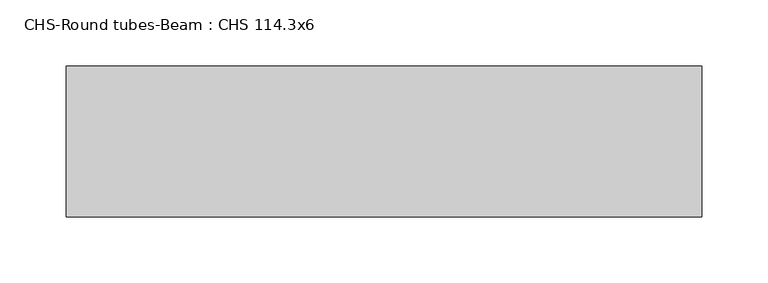
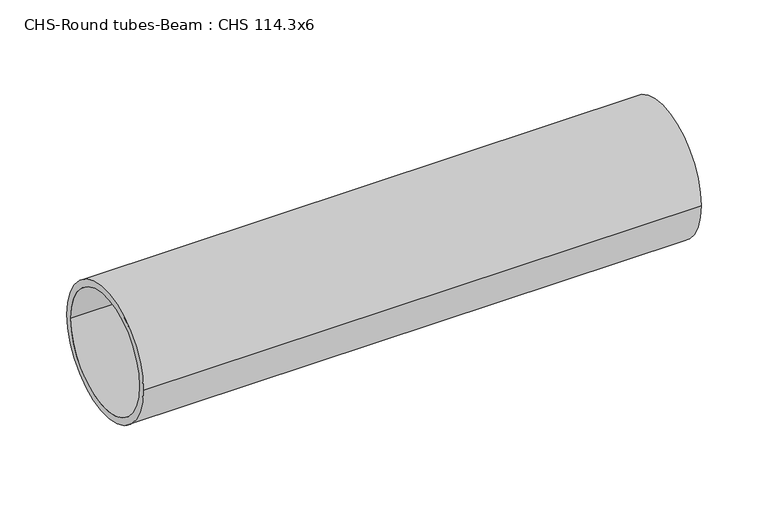
"""IFC4 building model written with IfcOpenShell, lengths in millimetres: beam geometry, CHS-Round tubes-Beam : CHS 114.3x6."""

from ifc_helpers import new_model, si_unit, point, frame, origin, origin_2d, place, context, project, spatial, circle_curve, trimmed, segment, composite_curve, outline, extrude, source, transform, mapped, element, save


def chs_round_tubes_beam_chs_114_3x6_72cb2127(model_context):
    return source(origin(), model_context, "Body", "SweptSolid", [
        extrude(outline(composite_curve([segment(trimmed(circle_curve(origin_2d(), 57.15), [point((57.15, 0.0))], [point((-57.15, 0.0))], False, "CARTESIAN"), True, "CONTINUOUS"), segment(trimmed(circle_curve(origin_2d(), 57.15), [point((-57.15, 0.0))], [point((57.15, 0.0))], False, "CARTESIAN"), True, "CONTINUOUS")], self_intersect=False), holes=[composite_curve([segment(trimmed(circle_curve(origin_2d(), 51.15), [point((51.15, 0.0))], [point((-51.15, 0.0))], True, "CARTESIAN"), True, "CONTINUOUS"), segment(trimmed(circle_curve(origin_2d(), 51.15), [point((-51.15, 0.0))], [point((51.15, 0.0))], True, "CARTESIAN"), True, "CONTINUOUS")], self_intersect=False)]), frame((65.453033, 0.0, 0.0), z_axis=(1.0, 0.0, 0.0), x_axis=(0.0, 1.0, 0.0)), (0.0, 0.0, 1.0), 480.9489388),
    ])


if __name__ == "__main__":
    model = new_model("IFC4")
    model_context = context("Model", 3, world=origin())
    ifc_project = project(units=[si_unit("LENGTHUNIT", "METRE", prefix="MILLI")], contexts=[model_context])
    site = spatial("IfcSite", under=ifc_project)
    building = spatial("IfcBuilding", under=site)
    placement = place(None, origin())
    chs_round_tubes_beam_chs_114_3x6_shape = chs_round_tubes_beam_chs_114_3x6_72cb2127(model_context)
    element("IfcBeam", 1, ObjectType="CHS-Round tubes-Beam : CHS 114.3x6", at=placement, inside=building, context=model_context, shape_type="MappedRepresentation", body=[
        mapped(chs_round_tubes_beam_chs_114_3x6_shape, transform((0.0, 0.0, 0.0), x_axis=(1.0, 0.0, 0.0), y_axis=(0.0, 1.0, 0.0), z_axis=(0.0, 0.0, 1.0))),
    ])
    save(model, "model.ifc")
